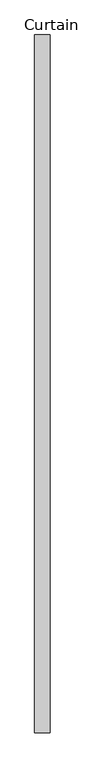
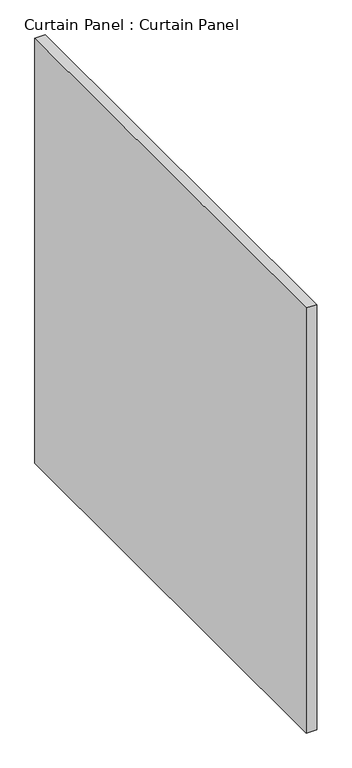
"""IFC4 building model written with IfcOpenShell, lengths in millimetres: plate geometry, Curtain Panel : Curtain Panel."""

from ifc_helpers import new_model, si_unit, frame, origin, place, context, project, spatial, polyline, outline, extrude, source, transform, mapped, element, save


def curtain_panel_curtain_panel_931586a0(model_context):
    return source(origin(), model_context, "Body", "SweptSolid", [
        extrude(outline(polyline([(-411398.1205803, 7152.9866614), (-411398.1205803, 6014.0112003), (-411423.5205803, 6014.0112003), (-411423.5205803, 7152.9866614), (-411398.1205803, 7152.9866614)])), frame((0.0, 0.0, 98.425), z_axis=(0.0, 0.0, 1.0), x_axis=(1.0, 0.0, 0.0)), (0.0, 0.0, 1.0), 1089.025),
    ])


if __name__ == "__main__":
    model = new_model("IFC4")
    model_context = context("Model", 3, world=origin())
    ifc_project = project(units=[si_unit("LENGTHUNIT", "METRE", prefix="MILLI")], contexts=[model_context])
    site = spatial("IfcSite", under=ifc_project)
    building = spatial("IfcBuilding", under=site)
    placement = place(None, origin())
    curtain_panel_curtain_panel_shape = curtain_panel_curtain_panel_931586a0(model_context)
    element("IfcPlate", 1, ObjectType="Curtain Panel : Curtain Panel", at=placement, inside=building, context=model_context, shape_type="MappedRepresentation", body=[
        mapped(curtain_panel_curtain_panel_shape, transform((0.0, 0.0, 0.0), x_axis=(1.0, 0.0, 0.0), y_axis=(0.0, 1.0, 0.0), z_axis=(0.0, 0.0, 1.0))),
    ])
    save(model, "model.ifc")
